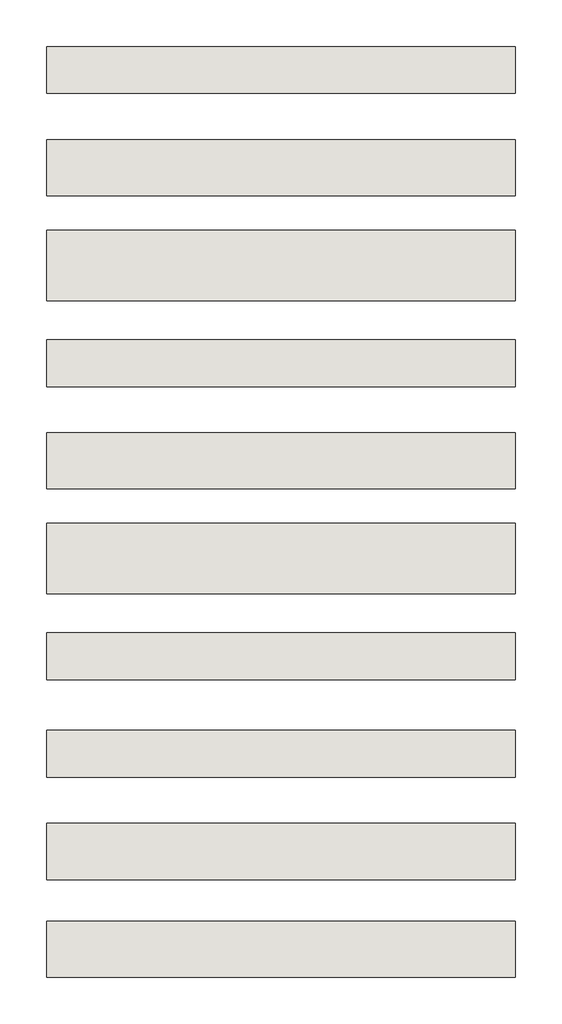
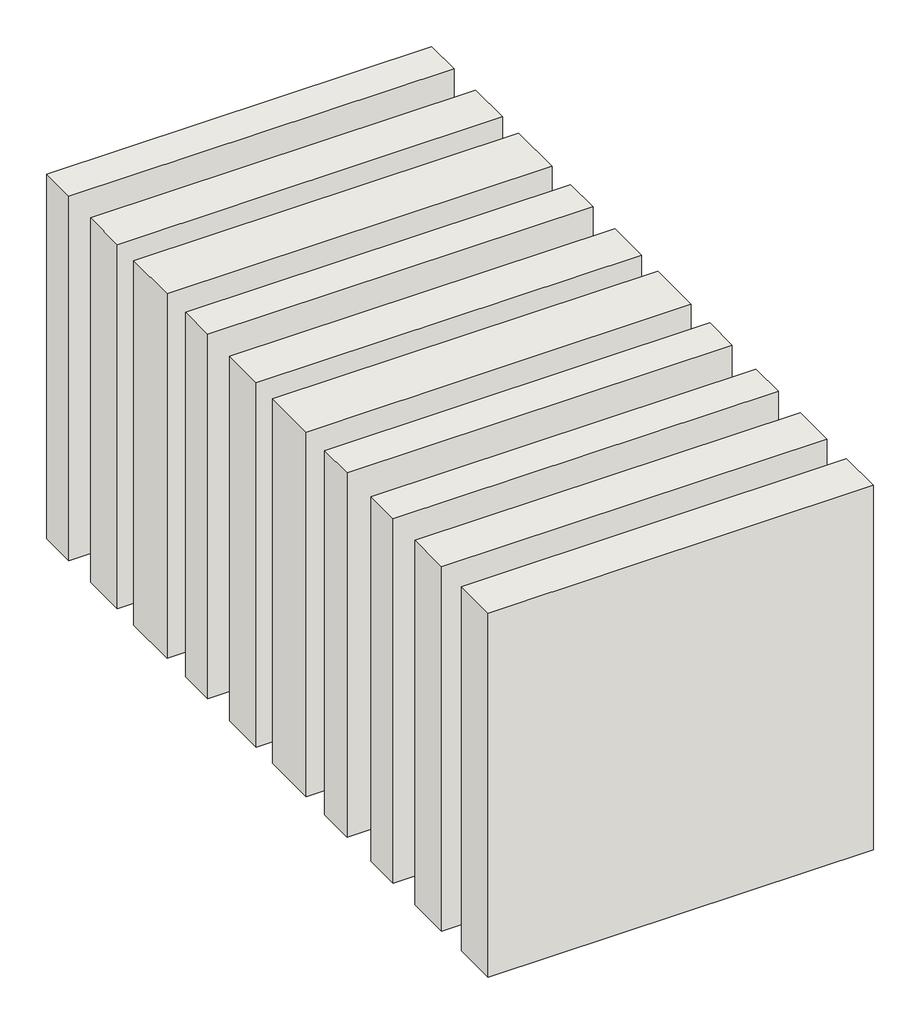
# One storey: 10 walls.
"""IFC4 building model written with IfcOpenShell, lengths in millimetres."""

from ifc_helpers import new_model, si_unit, origin, origin_with_axes, place, context, project, spatial, polyline, outline, extrude, element, save

model = new_model("IFC4")

# Units and contexts
model_context = context("Model", 3, world=origin())
ifc_project = project(units=[si_unit("LENGTHUNIT", "METRE", prefix="MILLI")], contexts=[model_context])

# Site, building, storey
site = spatial("IfcSite", under=ifc_project)
building = spatial("IfcBuilding", under=site)
storey = spatial("IfcBuildingStorey", under=building, Elevation=0.0)

# Walls
placement = place(None, origin())
element("IfcWall", 1, at=placement, inside=storey, context=model_context, shape_type="SweptSolid", body=[
    extrude(outline(polyline([(5167.0141774, 2111.2940163), (4167.0141774, 2111.2940163), (4167.0141774, 2211.2940163), (5167.0141774, 2211.2940163), (5167.0141774, 2111.2940163)])), origin_with_axes(), (0.0, 0.0, 1.0), 1000.0),
])
element("IfcWall", 2, at=placement, inside=storey, context=model_context, shape_type="SweptSolid", body=[
    extrude(outline(polyline([(5167.0141774, 1892.8364235), (4167.0141774, 1892.8364235), (4167.0141774, 2012.8364235), (5167.0141774, 2012.8364235), (5167.0141774, 1892.8364235)])), origin_with_axes(), (0.0, 0.0, 1.0), 1000.0),
])
element("IfcWall", 3, at=placement, inside=storey, context=model_context, shape_type="SweptSolid", body=[
    extrude(outline(polyline([(5167.0141774, 1669.3788307), (4167.0141774, 1669.3788307), (4167.0141774, 1819.3788307), (5167.0141774, 1819.3788307), (5167.0141774, 1669.3788307)])), origin_with_axes(), (0.0, 0.0, 1.0), 1000.0),
])
element("IfcWall", 4, at=placement, inside=storey, context=model_context, shape_type="SweptSolid", body=[
    extrude(outline(polyline([(5167.0141774, 1485.9212379), (4167.0141774, 1485.9212379), (4167.0141774, 1585.9212379), (5167.0141774, 1585.9212379), (5167.0141774, 1485.9212379)])), origin_with_axes(), (0.0, 0.0, 1.0), 1000.0),
])
element("IfcWall", 5, at=placement, inside=storey, context=model_context, shape_type="SweptSolid", body=[
    extrude(outline(polyline([(5167.0141774, 1267.4636452), (4167.0141774, 1267.4636452), (4167.0141774, 1387.4636452), (5167.0141774, 1387.4636452), (5167.0141774, 1267.4636452)])), origin_with_axes(), (0.0, 0.0, 1.0), 1000.0),
])
element("IfcWall", 6, at=placement, inside=storey, context=model_context, shape_type="SweptSolid", body=[
    extrude(outline(polyline([(5167.0141774, 1044.0060524), (4167.0141774, 1044.0060524), (4167.0141774, 1194.0060524), (5167.0141774, 1194.0060524), (5167.0141774, 1044.0060524)])), origin_with_axes(), (0.0, 0.0, 1.0), 1000.0),
])
element("IfcWall", 7, at=placement, inside=storey, context=model_context, shape_type="SweptSolid", body=[
    extrude(outline(polyline([(5167.0141774, 860.5484596), (4167.0141774, 860.5484596), (4167.0141774, 960.5484596), (5167.0141774, 960.5484596), (5167.0141774, 860.5484596)])), origin_with_axes(), (0.0, 0.0, 1.0), 1000.0),
])
element("IfcWall", 8, at=placement, inside=storey, context=model_context, shape_type="SweptSolid", body=[
    extrude(outline(polyline([(5167.0141774, 652.0908668), (4167.0141774, 652.0908668), (4167.0141774, 752.0908668), (5167.0141774, 752.0908668), (5167.0141774, 652.0908668)])), origin_with_axes(), (0.0, 0.0, 1.0), 1000.0),
])
element("IfcWall", 9, at=placement, inside=storey, context=model_context, shape_type="SweptSolid", body=[
    extrude(outline(polyline([(5167.0141774, 433.6332741), (4167.0141774, 433.6332741), (4167.0141774, 553.6332741), (5167.0141774, 553.6332741), (5167.0141774, 433.6332741)])), origin_with_axes(), (0.0, 0.0, 1.0), 1000.0),
])
element("IfcWall", 10, at=placement, inside=storey, context=model_context, shape_type="SweptSolid", body=[
    extrude(outline(polyline([(5167.0141774, 225.1756813), (4167.0141774, 225.1756813), (4167.0141774, 345.1756813), (5167.0141774, 345.1756813), (5167.0141774, 225.1756813)])), origin_with_axes(), (0.0, 0.0, 1.0), 1000.0),
])

save(model, "model.ifc")
